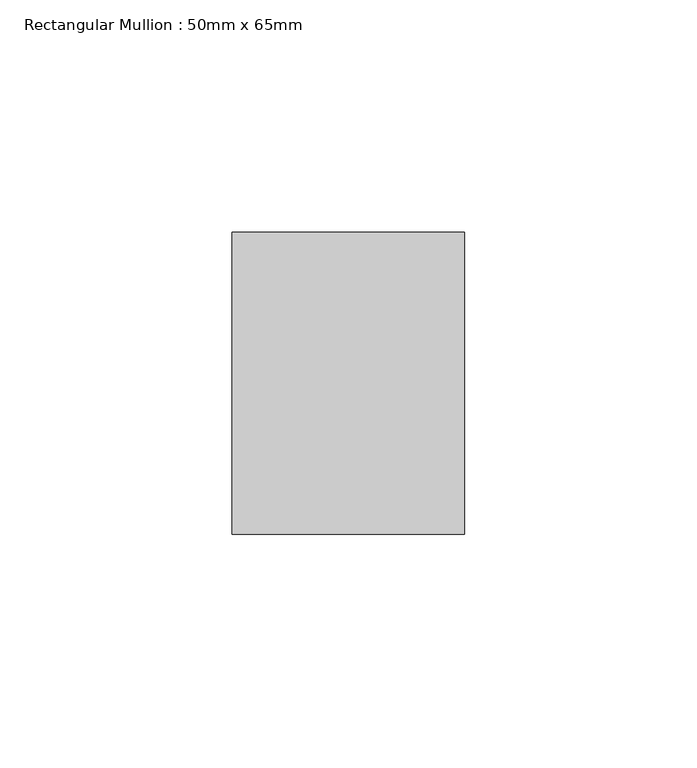
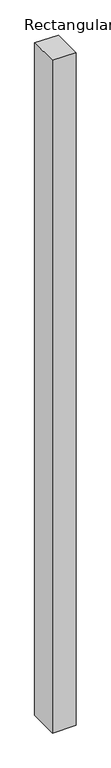
"""IFC4 building model written with IfcOpenShell, lengths in millimetres: member geometry, Rectangular Mullion : 50mm x 65mm."""

from ifc_helpers import new_model, si_unit, origin, place, context, project, spatial, faceted_brep, source, transform, mapped, element, save


def rectangular_mullion_50mm_x_65mm_d55df151(model_context):
    return source(origin(), model_context, "Body", "Brep", [
        faceted_brep([(-25.0, 32.5, -0.10733), (25.0, 32.5, -0.1073296), (25.0, 32.5, -1499.9555344), (-25.0, 32.5, -1499.9555342), (-25.0, -32.5, 0.1073296), (-25.0, -32.5, -1500.0442053), (25.0, -32.5, 0.10733), (25.0, -32.5, -1500.0442054)], [[[0, 1, 2, 3]], [[4, 0, 3, 5]], [[6, 4, 5, 7]], [[1, 6, 7, 2]], [[1, 0, 4, 6]], [[2, 7, 5, 3]]]),
    ])


if __name__ == "__main__":
    model = new_model("IFC4")
    model_context = context("Model", 3, world=origin())
    ifc_project = project(units=[si_unit("LENGTHUNIT", "METRE", prefix="MILLI")], contexts=[model_context])
    site = spatial("IfcSite", under=ifc_project)
    building = spatial("IfcBuilding", under=site)
    placement = place(None, origin())
    rectangular_mullion_50mm_x_65mm_shape = rectangular_mullion_50mm_x_65mm_d55df151(model_context)
    element("IfcMember", 1, ObjectType="Rectangular Mullion : 50mm x 65mm", at=placement, inside=building, context=model_context, shape_type="MappedRepresentation", body=[
        mapped(rectangular_mullion_50mm_x_65mm_shape, transform((0.0, 0.0, 0.0), x_axis=(1.0, 0.0, 0.0), y_axis=(0.0, 1.0, 0.0), z_axis=(0.0, 0.0, 1.0))),
    ])
    save(model, "model.ifc")
